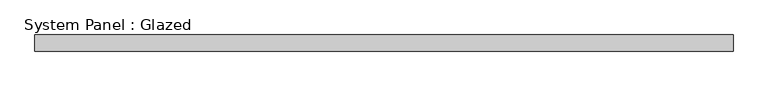
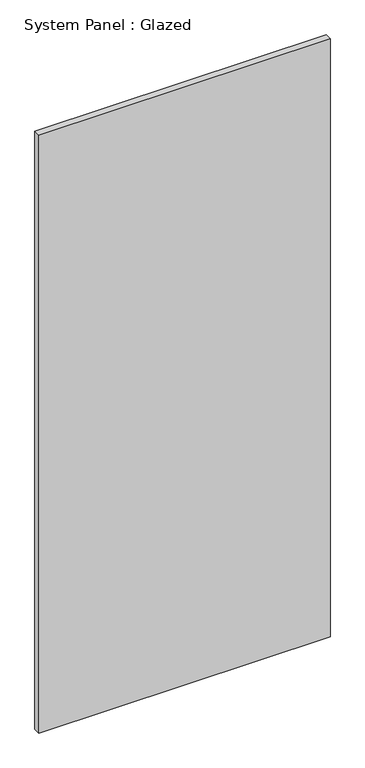
"""IFC4 building model written with IfcOpenShell, lengths in millimetres: plate geometry, System Panel : Glazed."""

from ifc_helpers import new_model, si_unit, origin, origin_with_axes, place, context, project, spatial, polyline, outline, extrude, source, transform, mapped, element, save


def system_panel_glazed_b5980291(model_context):
    return source(origin(), model_context, "Body", "SweptSolid", [
        extrude(outline(polyline([(539.75, -44.45), (-539.75, -44.45), (-539.75, -19.05), (539.75, -19.05), (539.75, -44.45)])), origin_with_axes(), (0.0, 0.0, 1.0), 2343.15),
    ])


if __name__ == "__main__":
    model = new_model("IFC4")
    model_context = context("Model", 3, world=origin())
    ifc_project = project(units=[si_unit("LENGTHUNIT", "METRE", prefix="MILLI")], contexts=[model_context])
    site = spatial("IfcSite", under=ifc_project)
    building = spatial("IfcBuilding", under=site)
    placement = place(None, origin())
    system_panel_glazed_shape = system_panel_glazed_b5980291(model_context)
    element("IfcPlate", 1, ObjectType="System Panel : Glazed", at=placement, inside=building, context=model_context, shape_type="MappedRepresentation", body=[
        mapped(system_panel_glazed_shape, transform((0.0, 0.0, 0.0), x_axis=(1.0, 0.0, 0.0), y_axis=(0.0, 1.0, 0.0), z_axis=(0.0, 0.0, 1.0))),
    ])
    save(model, "model.ifc")
